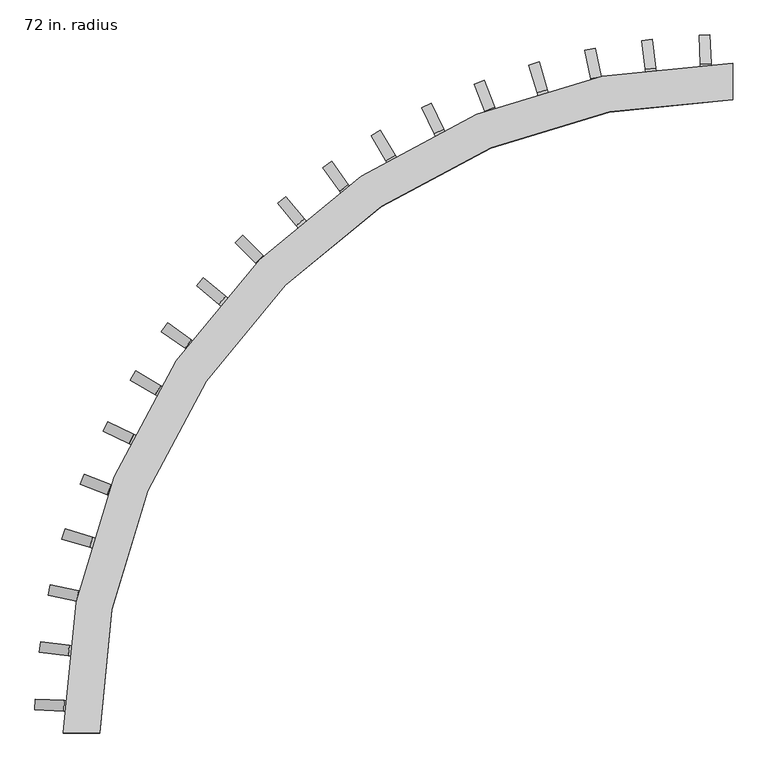
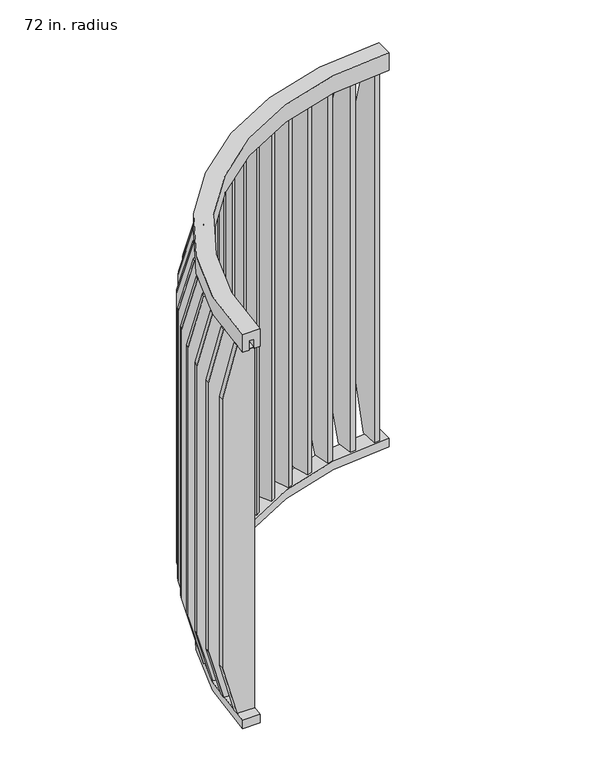
"""IFC4 building model written with IfcOpenShell, lengths in millimetres: furniture geometry, 72 in. radius."""

import ifcopenshell
import ifcopenshell.guid

model = None  # the IFC model being written
_history = None  # IfcOwnerHistory: only IFC2X3 demands one
_inside = {}  # id of a spatial element -> (the spatial element, [elements in it])
_under = {}  # id of a project, library or spatial element -> (it, [spatial elements below it])
_declared = {}  # id of a project -> (the project, [libraries it declares])
_typed = {}  # id of a type object -> (the type object, [elements of that type])
_made_of = {}  # id of a material, layer set ... -> (it, [elements and type objects made of it])


def new_model(schema):
    """Start an empty IFC model of exactly this schema.

    Asked for "IFC4X3", IfcOpenShell would pick the latest addendum, in which some entities
    have other attributes; the version numbers below select the first issue.
    IFC2X3 requires an IfcOwnerHistory on every rooted entity: one is made here for all.
    """
    global model, _history
    if schema == "IFC4X3":
        model = ifcopenshell.file(schema_version=(4, 3, 0, 0))
    else:
        model = ifcopenshell.file(schema=schema)
    _inside.clear()
    _under.clear()
    _declared.clear()
    _typed.clear()
    _made_of.clear()
    _history = None
    if model.schema == "IFC2X3":
        org = make("IfcOrganization", Name="unknown")
        user = make(
            "IfcPersonAndOrganization",
            ThePerson=make("IfcPerson", FamilyName="unknown"),
            TheOrganization=org,
        )
        app = make(
            "IfcApplication",
            ApplicationDeveloper=org,
            Version="unknown",
            ApplicationFullName="unknown",
            ApplicationIdentifier="unknown",
        )
        _history = make(
            "IfcOwnerHistory",
            OwningUser=user,
            OwningApplication=app,
            ChangeAction="ADDED",
            CreationDate=0,
        )
    return model


def make(cls, **values):
    """One entity of the class cls with the attributes given. An attribute that is None is left unset."""
    return model.create_entity(
        cls, **{name: value for name, value in values.items() if value is not None}
    )


def rooted(cls, **values):
    """An entity with a GlobalId (a new one), such as an element, a storey or a relation."""
    return make(cls, GlobalId=ifcopenshell.guid.new(), OwnerHistory=_history, **values)


def si_unit(unit_type, name, prefix=None):
    """IfcSIUnit, for example si_unit("LENGTHUNIT", "METRE", prefix="MILLI")."""
    return make("IfcSIUnit", UnitType=unit_type, Prefix=prefix, Name=name)


def assignment(units):
    """IfcUnitAssignment: the units of a project."""
    return None if units is None else make("IfcUnitAssignment", Units=units)


def point(xyz):
    """IfcCartesianPoint."""
    return None if xyz is None else make("IfcCartesianPoint", Coordinates=xyz)


def direction(xyz):
    """IfcDirection."""
    return None if xyz is None else make("IfcDirection", DirectionRatios=xyz)


def frame(location, z_axis=None, x_axis=None):
    """IfcAxis2Placement3D, a coordinate frame: its origin and axes. An axis left out is left unset."""
    return make(
        "IfcAxis2Placement3D",
        Location=point(location),
        Axis=direction(z_axis),
        RefDirection=direction(x_axis),
    )


def frame_2d(location, x_axis=None):
    """IfcAxis2Placement2D, a coordinate frame in the plane: its origin and x axis."""
    return make(
        "IfcAxis2Placement2D", Location=point(location), RefDirection=direction(x_axis)
    )


def origin():
    """The frame at (0, 0, 0) with its axes left unset."""
    return frame((0.0, 0.0, 0.0))


def place(relative_to, where):
    """IfcLocalPlacement: puts the frame where relative to a parent placement (None: the world)."""
    return make(
        "IfcLocalPlacement", PlacementRelTo=relative_to, RelativePlacement=where
    )


def context(
    kind, dimensions, precision=None, world=None, true_north=None, identifier=None
):
    """IfcGeometricRepresentationContext, for example the 3D "Model" context."""
    return make(
        "IfcGeometricRepresentationContext",
        ContextIdentifier=identifier,
        ContextType=kind,
        CoordinateSpaceDimension=dimensions,
        Precision=precision,
        WorldCoordinateSystem=world,
        TrueNorth=true_north,
    )


def project(units=None, contexts=None):
    """IfcProject with its units and contexts."""
    return rooted(
        "IfcProject",
        Name="project",
        RepresentationContexts=contexts,
        UnitsInContext=assignment(units),
    )


def spatial(cls, under=None, at=None, **own):
    """A site, building, storey or space (cls), placed at a placement, below another one or the project."""
    s = rooted(cls, ObjectPlacement=at, **own)
    if under is not None:
        _under.setdefault(under.id(), (under, []))[1].append(s)
    return s


def polyline(points):
    """IfcPolyline through the points."""
    return make("IfcPolyline", Points=[point(p) for p in points])


def circle_curve(where, radius):
    """IfcCircle in the frame where."""
    return make("IfcCircle", Position=where, Radius=radius)


def trimmed(basis, trim1, trim2, sense, master):
    """IfcTrimmedCurve: the piece of a basis curve between two trims."""
    return make(
        "IfcTrimmedCurve",
        BasisCurve=basis,
        Trim1=trim1,
        Trim2=trim2,
        SenseAgreement=sense,
        MasterRepresentation=master,
    )


def segment(curve, same_sense, transition):
    """IfcCompositeCurveSegment."""
    return make(
        "IfcCompositeCurveSegment",
        Transition=transition,
        SameSense=same_sense,
        ParentCurve=curve,
    )


def composite_curve(segments, self_intersect=None):
    """IfcCompositeCurve: segments joined end to end."""
    return make("IfcCompositeCurve", Segments=segments, SelfIntersect=self_intersect)


def outline(outer, holes=None, kind="AREA"):
    """IfcArbitraryClosedProfileDef: a profile drawn as a closed curve; with holes, ...WithVoids."""
    if holes is None:
        return make("IfcArbitraryClosedProfileDef", ProfileType=kind, OuterCurve=outer)
    return make(
        "IfcArbitraryProfileDefWithVoids",
        ProfileType=kind,
        OuterCurve=outer,
        InnerCurves=holes,
    )


def extrude(swept, where, along, depth):
    """IfcExtrudedAreaSolid: the profile swept, set in the frame where, extruded along a direction by depth."""
    return make(
        "IfcExtrudedAreaSolid",
        SweptArea=swept,
        Position=where,
        ExtrudedDirection=direction(along),
        Depth=depth,
    )


def shape(context_of_items, identifier, shape_type, items):
    """IfcShapeRepresentation: the items that make up one representation, for example the "Body"."""
    return make(
        "IfcShapeRepresentation",
        ContextOfItems=context_of_items,
        RepresentationIdentifier=identifier,
        RepresentationType=shape_type,
        Items=items,
    )


def source(mapping_origin, context_of_items, identifier, shape_type, items):
    """IfcRepresentationMap: a shape defined once, which mapped items show again and again."""
    return make(
        "IfcRepresentationMap",
        MappingOrigin=mapping_origin,
        MappedRepresentation=shape(context_of_items, identifier, shape_type, items),
    )


def transform(
    local_origin,
    x_axis=None,
    y_axis=None,
    z_axis=None,
    scale=None,
    scale2=None,
    scale3=None,
    uniform=True,
):
    """IfcCartesianTransformationOperator3D, or its non-uniform kind. x_axis, y_axis, z_axis: its Axis1, 2, 3."""
    if uniform:
        return make(
            "IfcCartesianTransformationOperator3D",
            Axis1=direction(x_axis),
            Axis2=direction(y_axis),
            LocalOrigin=point(local_origin),
            Scale=scale,
            Axis3=direction(z_axis),
        )
    return make(
        "IfcCartesianTransformationOperator3DnonUniform",
        Axis1=direction(x_axis),
        Axis2=direction(y_axis),
        LocalOrigin=point(local_origin),
        Scale=scale,
        Axis3=direction(z_axis),
        Scale2=scale2,
        Scale3=scale3,
    )


def mapped(mapping_source, mapping_target):
    """IfcMappedItem: shows the shape of a source again, moved by a transform."""
    return make(
        "IfcMappedItem", MappingSource=mapping_source, MappingTarget=mapping_target
    )


def made_of(thing, what):
    """Note that an element or type object is made of a material, layer set ...; save() writes the relation."""
    if what is not None:
        _made_of.setdefault(what.id(), (what, []))[1].append(thing)
    return thing


def element(
    cls,
    number,
    at=None,
    inside=None,
    cuts=None,
    type_object=None,
    material=None,
    context=None,
    identifier="Body",
    shape_type=None,
    held_by="IfcProductDefinitionShape",
    body=None,
    shapes=None,
    **own,
):
    """One element of the class cls, such as IfcWall. Its Tag is "e" and its number.

    at: its placement. inside: the storey or other place that contains it. cuts: it is an
    opening in that element (IfcRelVoidsElement). A single representation is given by context,
    identifier, shape_type and body (its items); several are given by shapes. held_by: the class
    of the entity that holds the representations. save() writes the other relations.
    """
    e = rooted(cls, Tag="e%d" % number, ObjectPlacement=at, **own)
    if body is not None:
        shapes = [shape(context, identifier, shape_type, body)]
    if shapes is not None:
        e.Representation = make(held_by, Representations=shapes)
    if inside is not None:
        _inside.setdefault(inside.id(), (inside, []))[1].append(e)
    if cuts is not None:
        rooted(
            "IfcRelVoidsElement", RelatingBuildingElement=cuts, RelatedOpeningElement=e
        )
    if type_object is not None:
        _typed.setdefault(type_object.id(), (type_object, []))[1].append(e)
    return made_of(e, material)


def aggregate(whole, parts):
    """IfcRelAggregates: a whole, such as a stair, and the parts it consists of."""
    return rooted("IfcRelAggregates", RelatingObject=whole, RelatedObjects=parts)


def save(model, path):
    """Write the relations noted so far, then the file.

    IfcRelAggregates (storeys below a building ...), IfcRelContainedInSpatialStructure (elements
    in a storey), IfcRelDefinesByType, IfcRelAssociatesMaterial and IfcRelDeclares: one each for
    every whole, place, type object, material and project.
    """
    for whole, parts in _under.values():
        aggregate(whole, parts)
    for where, things in _inside.values():
        rooted(
            "IfcRelContainedInSpatialStructure",
            RelatedElements=things,
            RelatingStructure=where,
        )
    for kind, things in _typed.values():
        rooted("IfcRelDefinesByType", RelatedObjects=things, RelatingType=kind)
    for what, things in _made_of.values():
        rooted("IfcRelAssociatesMaterial", RelatedObjects=things, RelatingMaterial=what)
    for by, libraries in _declared.values():
        rooted("IfcRelDeclares", RelatingContext=by, RelatedDefinitions=libraries)
    model.write(path)


def plane_surface(at):
    """IfcPlane: the flat surface through the origin of the frame at, square to its z axis."""
    return make("IfcPlane", Position=at)


def cylinder_surface(at, radius):
    """IfcCylindricalSurface: all points at the distance radius from the z axis of the frame at."""
    return make("IfcCylindricalSurface", Position=at, Radius=radius)


def revolved_surface(curve, axis_point, axis_direction):
    """IfcSurfaceOfRevolution: the curve turned about the line through axis_point along axis_direction."""
    return make(
        "IfcSurfaceOfRevolution",
        SweptCurve=make("IfcArbitraryOpenProfileDef", ProfileType="CURVE", Curve=curve),
        AxisPosition=make("IfcAxis1Placement", Location=point(axis_point), Axis=direction(axis_direction)),
    )


def advanced_brep(points, edges, surfaces, faces):
    """IfcAdvancedBrep: a solid bounded by faces that lie on surfaces and meet in shared edges.

    An edge is (start, end): straight between two places in points (the first is 0);
    or (start, end, curve); or (start, end, curve, False) where it runs against its curve.
    A face is (place in surfaces, loops), or (place, loops, False) where it looks against
    its surface's normal. A loop lists edges by number (the first is 1), with a minus sign
    where the edge is run from its end to its start. The first loop is the outer one.
    """
    corners = [point(p) for p in points]
    vertices = [make("IfcVertexPoint", VertexGeometry=c) for c in corners]
    made = []
    for start, end, *more in edges:
        made.append(
            make(
                "IfcEdgeCurve",
                EdgeStart=vertices[start],
                EdgeEnd=vertices[end],
                EdgeGeometry=more[0] if more else make("IfcPolyline", Points=[corners[start], corners[end]]),
                SameSense=more[1] if len(more) > 1 else True,
            )
        )
    hull = []
    for where, loops, *sense in faces:
        bounds = []
        for j, loop in enumerate(loops):
            ring = [make("IfcOrientedEdge", EdgeElement=made[abs(k) - 1], Orientation=k > 0) for k in loop]
            bounds.append(
                make(
                    "IfcFaceOuterBound" if j == 0 else "IfcFaceBound",
                    Bound=make("IfcEdgeLoop", EdgeList=ring),
                    Orientation=True,
                )
            )
        hull.append(make("IfcAdvancedFace", Bounds=bounds, FaceSurface=surfaces[where], SameSense=sense[0] if sense else True))
    return make("IfcAdvancedBrep", Outer=make("IfcClosedShell", CfsFaces=hull))


def furniture_72_in_radius_a65c5862(model_context):
    return source(origin(), model_context, "Body", "SolidModel", [
        advanced_brep(
        [(38.1, 1880.0004562, 2438.4), (38.1, 1778.4004562, 2438.4), (38.1, 1778.4004562, 2331.8390625), (38.1, 1813.9821615, 2331.8390625), (38.1, 1813.9821615, 2388.7001663), (38.1, 1844.418751, 2388.7001663), (38.1, 1844.418751, 2331.8390625), (38.1, 1880.0004562, 2331.8390625), (-1841.9004562, 0.0, 2438.4), (-1841.9004562, 0.0, 2331.8390625), (-1806.318751, 0.0, 2331.8390625), (-1806.318751, 0.0, 2388.7001663), (-1775.8821615, 0.0, 2388.7001663), (-1775.8821615, 0.0, 2331.8390625), (-1740.3004562, 0.0, 2331.8390625), (-1740.3004562, 0.0, 2438.4)],
        [
            (0, 1),
            (1, 2),
            (2, 3),
            (3, 4),
            (4, 5),
            (5, 6),
            (6, 7),
            (7, 0),
            (8, 9),
            (9, 10),
            (10, 11),
            (11, 12),
            (12, 13),
            (13, 14),
            (14, 15),
            (15, 8),
            (15, 1, circle_curve(frame((38.1, 0.0, 2438.4), z_axis=(0.0, 0.0, -1.0), x_axis=(0.0, 1.0, 0.0)), 1778.4004562)),
            (0, 8, circle_curve(frame((38.1, 0.0, 2438.4), z_axis=(0.0, 0.0, 1.0), x_axis=(0.0, 1.0, 0.0)), 1880.0004562)),
            (14, 2, circle_curve(frame((38.1, 0.0, 2331.8390625), z_axis=(0.0, 0.0, -1.0), x_axis=(0.0, 1.0, 0.0)), 1778.4004562)),
            (7, 9, circle_curve(frame((38.1, 0.0, 2331.8390625), z_axis=(0.0, 0.0, 1.0), x_axis=(0.0, 1.0, 0.0)), 1880.0004562)),
            (13, 3, circle_curve(frame((38.1, 0.0, 2331.8390625), z_axis=(0.0, 0.0, -1.0), x_axis=(0.0, 1.0, 0.0)), 1813.9821615)),
            (12, 4, circle_curve(frame((38.1, 0.0, 2388.7001663), z_axis=(0.0, 0.0, -1.0), x_axis=(0.0, 1.0, 0.0)), 1813.9821615)),
            (11, 5, circle_curve(frame((38.1, 0.0, 2388.7001663), z_axis=(0.0, 0.0, -1.0), x_axis=(0.0, 1.0, 0.0)), 1844.418751)),
            (10, 6, circle_curve(frame((38.1, 0.0, 2331.8390625), z_axis=(0.0, 0.0, -1.0), x_axis=(0.0, 1.0, 0.0)), 1844.418751)),
        ],
        [
            plane_surface(frame((38.1, 0.0, 2451.1), z_axis=(1.0, 0.0, 0.0), x_axis=(0.0, 1.0, 0.0))),
            plane_surface(frame((38.1, 0.0, 2451.1), z_axis=(0.0, -1.0, 0.0), x_axis=(-1.0, 0.0, 0.0))),
            plane_surface(frame((38.1, 0.0, 2438.4), z_axis=(0.0, 0.0, 1.0), x_axis=(0.0, 1.0, 0.0))),
            revolved_surface(polyline([(38.1, 1778.4004562, 2438.4), (38.1, 1778.4004562, 2331.8390625)]), (38.1, 0.0, 2451.1), (0.0, 0.0, 1.0)),
            cylinder_surface(frame((38.1, 0.0, 2451.1), z_axis=(0.0, 0.0, 1.0), x_axis=(0.0, 1.0, 0.0)), 1880.0004562),
            plane_surface(frame((38.1, 0.0, 2331.8390625), z_axis=(0.0, 0.0, -1.0), x_axis=(0.0, 1.0, 0.0))),
            cylinder_surface(frame((38.1, 0.0, 2451.1), z_axis=(0.0, 0.0, 1.0), x_axis=(0.0, 1.0, 0.0)), 1813.9821615),
            plane_surface(frame((38.1, 0.0, 2388.7001663), z_axis=(0.0, 0.0, -1.0), x_axis=(0.0, 1.0, 0.0))),
            revolved_surface(polyline([(38.1, 1844.418751, 2388.7001663), (38.1, 1844.418751, 2331.8390625)]), (38.1, 0.0, 2451.1), (0.0, 0.0, 1.0)),
        ],
        [
            (0, [[1, 2, 3, 4, 5, 6, 7, 8]]),
            (1, [[9, 10, 11, 12, 13, 14, 15, 16]]),
            (2, [[17, -1, 18, -16]]),
            (3, [[19, -2, -17, -15]]),
            (4, [[-18, -8, 20, -9]]),
            (5, [[21, -3, -19, -14]]),
            (6, [[22, -4, -21, -13]]),
            (7, [[23, -5, -22, -12]]),
            (8, [[24, -6, -23, -11]]),
            (5, [[-20, -7, -24, -10]]),
        ],
    ),
        extrude(outline(polyline([(-307.8500561, -132.3000004), (-1965.4500045, -132.3000004), (-2268.3390625, -50.7894893), (-2268.3390625, 50.8000016), (-4.9609375, 50.8000016), (-4.9609375, -50.7895064), (-307.8500561, -132.3000004)])), frame((-1778.7132079, 210.3817693, 2336.8), z_axis=(0.12317039926613539, 0.9923855363439256, 0.0), x_axis=(0.0, 0.0, 1.0)), (0.0, 0.0, 1.0), 29.9999997),
        extrude(outline(composite_curve([segment(trimmed(circle_curve(frame_2d((-1776.8656519, 225.2675523)), 6.0), [point((-1776.1266295, 231.2218655))], [point((-1777.6046743, 219.313239))], False, "CARTESIAN"), True, "CONTINUOUS"), segment(trimmed(circle_curve(frame_2d((-1776.8656519, 225.2675523)), 6.0), [point((-1777.6046743, 219.313239))], [point((-1776.1266295, 231.2218655))], False, "CARTESIAN"), True, "CONTINUOUS")], self_intersect=False)), frame((0.0, 0.0, 2331.8390625), z_axis=(0.0, 0.0, 1.0), x_axis=(1.0, 0.0, 0.0)), (0.0, 0.0, 1.0), 4.9609375),
        extrude(outline(composite_curve([segment(trimmed(circle_curve(frame_2d((-1776.8656519, 225.2675523)), 6.0), [point((-1776.1266295, 231.2218655))], [point((-1777.6046743, 219.313239))], False, "CARTESIAN"), True, "CONTINUOUS"), segment(trimmed(circle_curve(frame_2d((-1776.8656519, 225.2675523)), 6.0), [point((-1777.6046743, 219.313239))], [point((-1776.1266295, 231.2218655))], False, "CARTESIAN"), True, "CONTINUOUS")], self_intersect=False)), frame((0.0, 0.0, 63.5), z_axis=(0.0, 0.0, 1.0), x_axis=(1.0, 0.0, 0.0)), (0.0, 0.0, 1.0), 4.9609375),
        extrude(outline(polyline([(-307.8500561, -132.3000004), (-1965.4500045, -132.3000004), (-2268.3390625, -50.7894893), (-2268.3390625, 50.8000015), (-4.9609375, 50.8000015), (-4.9609375, -50.7895063), (-307.8500561, -132.3000004)])), frame((-1755.109305, 359.8205904, 2336.8), z_axis=(0.2047731878599013, 0.9788094510851914, 0.0), x_axis=(0.0, 0.0, 1.0)), (0.0, 0.0, 1.0), 29.9999997),
        extrude(outline(composite_curve([segment(trimmed(circle_curve(frame_2d((-1752.0377071, 374.502732)), 6.0), [point((-1750.809068, 380.3755887))], [point((-1753.2663463, 368.6298753))], False, "CARTESIAN"), True, "CONTINUOUS"), segment(trimmed(circle_curve(frame_2d((-1752.0377071, 374.502732)), 6.0), [point((-1753.2663463, 368.6298753))], [point((-1750.809068, 380.3755887))], False, "CARTESIAN"), True, "CONTINUOUS")], self_intersect=False)), frame((0.0, 0.0, 2331.8390625), z_axis=(0.0, 0.0, 1.0), x_axis=(1.0, 0.0, 0.0)), (0.0, 0.0, 1.0), 4.9609375),
        extrude(outline(composite_curve([segment(trimmed(circle_curve(frame_2d((-1752.0377071, 374.502732)), 6.0), [point((-1750.809068, 380.3755887))], [point((-1753.2663463, 368.6298753))], False, "CARTESIAN"), True, "CONTINUOUS"), segment(trimmed(circle_curve(frame_2d((-1752.0377071, 374.502732)), 6.0), [point((-1753.2663463, 368.6298753))], [point((-1750.809068, 380.3755887))], False, "CARTESIAN"), True, "CONTINUOUS")], self_intersect=False)), frame((0.0, 0.0, 63.5), z_axis=(0.0, 0.0, 1.0), x_axis=(1.0, 0.0, 0.0)), (0.0, 0.0, 1.0), 4.9609375),
        extrude(outline(polyline([(-307.8500561, -132.3000005), (-1965.4500045, -132.3000005), (-2268.3390625, -50.7894893), (-2268.3390625, 50.8000015), (-4.9609375, 50.8000015), (-4.9609375, -50.7895063), (-307.8500561, -132.3000005)])), frame((-1719.2345103, 506.7971347, 2336.8), z_axis=(0.28497464693746816, 0.9585350544465577, 0.0), x_axis=(0.0, 0.0, 1.0)), (0.0, 0.0, 1.0), 29.9999997),
        extrude(outline(composite_curve([segment(trimmed(circle_curve(frame_2d((-1714.9598906, 521.1751604)), 6.0), [point((-1713.2500427, 526.9263707))], [point((-1716.6697385, 515.4239501))], False, "CARTESIAN"), True, "CONTINUOUS"), segment(trimmed(circle_curve(frame_2d((-1714.9598906, 521.1751604)), 6.0), [point((-1716.6697385, 515.4239501))], [point((-1713.2500427, 526.9263707))], False, "CARTESIAN"), True, "CONTINUOUS")], self_intersect=False)), frame((0.0, 0.0, 2331.8390625), z_axis=(0.0, 0.0, 1.0), x_axis=(1.0, 0.0, 0.0)), (0.0, 0.0, 1.0), 4.9609375),
        extrude(outline(composite_curve([segment(trimmed(circle_curve(frame_2d((-1714.9598906, 521.1751604)), 6.0), [point((-1713.2500427, 526.9263707))], [point((-1716.6697385, 515.4239501))], False, "CARTESIAN"), True, "CONTINUOUS"), segment(trimmed(circle_curve(frame_2d((-1714.9598906, 521.1751604)), 6.0), [point((-1716.6697385, 515.4239501))], [point((-1713.2500427, 526.9263707))], False, "CARTESIAN"), True, "CONTINUOUS")], self_intersect=False)), frame((0.0, 0.0, 63.5), z_axis=(0.0, 0.0, 1.0), x_axis=(1.0, 0.0, 0.0)), (0.0, 0.0, 1.0), 4.9609375),
        extrude(outline(polyline([(-307.8500561, -132.3000005), (-1965.4500045, -132.3000005), (-2268.3390625, -50.7894893), (-2268.3390625, 50.8000015), (-4.9609375, 50.8000015), (-4.9609375, -50.7895063), (-307.8500561, -132.3000005)])), frame((-1671.3343267, 650.3055939, 2336.8), z_axis=(0.3632259318330759, 0.9317010907174005, 0.0), x_axis=(0.0, 0.0, 1.0)), (0.0, 0.0, 1.0), 29.9999997),
        extrude(outline(composite_curve([segment(trimmed(circle_curve(frame_2d((-1665.8859377, 664.2811102)), 6.0), [point((-1663.7065821, 669.8713167))], [point((-1668.0652933, 658.6909037))], False, "CARTESIAN"), True, "CONTINUOUS"), segment(trimmed(circle_curve(frame_2d((-1665.8859377, 664.2811102)), 6.0), [point((-1668.0652933, 658.6909037))], [point((-1663.7065821, 669.8713167))], False, "CARTESIAN"), True, "CONTINUOUS")], self_intersect=False)), frame((0.0, 0.0, 2331.8390625), z_axis=(0.0, 0.0, 1.0), x_axis=(1.0, 0.0, 0.0)), (0.0, 0.0, 1.0), 4.9609375),
        extrude(outline(composite_curve([segment(trimmed(circle_curve(frame_2d((-1665.8859377, 664.2811102)), 6.0), [point((-1663.7065821, 669.8713167))], [point((-1668.0652933, 658.6909037))], False, "CARTESIAN"), True, "CONTINUOUS"), segment(trimmed(circle_curve(frame_2d((-1665.8859377, 664.2811102)), 6.0), [point((-1668.0652933, 658.6909037))], [point((-1663.7065821, 669.8713167))], False, "CARTESIAN"), True, "CONTINUOUS")], self_intersect=False)), frame((0.0, 0.0, 63.5), z_axis=(0.0, 0.0, 1.0), x_axis=(1.0, 0.0, 0.0)), (0.0, 0.0, 1.0), 4.9609375),
        extrude(outline(polyline([(-307.8500561, -132.3000004), (-1965.4500045, -132.3000004), (-2268.3390625, -50.7894892), (-2268.3390625, 50.8000016), (-4.9609375, 50.8000016), (-4.9609375, -50.7895063), (-307.8500561, -132.3000004)])), frame((-1611.7365508, 789.3638931, 2336.8), z_axis=(0.4389915435570827, 0.8984911934378489, 0.0), x_axis=(0.0, 0.0, 1.0)), (0.0, 0.0, 1.0), 29.9999997),
        extrude(outline(composite_curve([segment(trimmed(circle_curve(frame_2d((-1605.1516776, 802.8412609)), 6.0), [point((-1602.5177283, 808.2322081))], [point((-1607.7856269, 797.4503138))], False, "CARTESIAN"), True, "CONTINUOUS"), segment(trimmed(circle_curve(frame_2d((-1605.1516776, 802.8412609)), 6.0), [point((-1607.7856269, 797.4503138))], [point((-1602.5177283, 808.2322081))], False, "CARTESIAN"), True, "CONTINUOUS")], self_intersect=False)), frame((0.0, 0.0, 2331.8390625), z_axis=(0.0, 0.0, 1.0), x_axis=(1.0, 0.0, 0.0)), (0.0, 0.0, 1.0), 4.9609375),
        extrude(outline(composite_curve([segment(trimmed(circle_curve(frame_2d((-1605.1516776, 802.8412609)), 6.0), [point((-1602.5177283, 808.2322081))], [point((-1607.7856269, 797.4503138))], False, "CARTESIAN"), True, "CONTINUOUS"), segment(trimmed(circle_curve(frame_2d((-1605.1516776, 802.8412609)), 6.0), [point((-1607.7856269, 797.4503138))], [point((-1602.5177283, 808.2322081))], False, "CARTESIAN"), True, "CONTINUOUS")], self_intersect=False)), frame((0.0, 0.0, 63.5), z_axis=(0.0, 0.0, 1.0), x_axis=(1.0, 0.0, 0.0)), (0.0, 0.0, 1.0), 4.9609375),
        extrude(outline(polyline([(-307.8500561, -132.3000005), (-1965.4500045, -132.3000005), (-2268.3390625, -50.7894893), (-2268.3390625, 50.8000015), (-4.9609375, 50.8000015), (-4.9609375, -50.7895063), (-307.8500561, -132.3000005)])), frame((-1540.8490294, 923.020411, 2336.8), z_axis=(0.5117529933896934, 0.8591326287347539, 0.0), x_axis=(0.0, 0.0, 1.0)), (0.0, 0.0, 1.0), 29.9999997),
        extrude(outline(composite_curve([segment(trimmed(circle_curve(frame_2d((-1533.1727345, 935.9074004)), 6.0), [point((-1530.1022165, 941.0621961))], [point((-1536.2432524, 930.7526046))], False, "CARTESIAN"), True, "CONTINUOUS"), segment(trimmed(circle_curve(frame_2d((-1533.1727345, 935.9074004)), 6.0), [point((-1536.2432524, 930.7526046))], [point((-1530.1022165, 941.0621961))], False, "CARTESIAN"), True, "CONTINUOUS")], self_intersect=False)), frame((0.0, 0.0, 2331.8390625), z_axis=(0.0, 0.0, 1.0), x_axis=(1.0, 0.0, 0.0)), (0.0, 0.0, 1.0), 4.9609375),
        extrude(outline(composite_curve([segment(trimmed(circle_curve(frame_2d((-1533.1727345, 935.9074004)), 6.0), [point((-1530.1022165, 941.0621961))], [point((-1536.2432524, 930.7526046))], False, "CARTESIAN"), True, "CONTINUOUS"), segment(trimmed(circle_curve(frame_2d((-1533.1727345, 935.9074004)), 6.0), [point((-1536.2432524, 930.7526046))], [point((-1530.1022165, 941.0621961))], False, "CARTESIAN"), True, "CONTINUOUS")], self_intersect=False)), frame((0.0, 0.0, 63.5), z_axis=(0.0, 0.0, 1.0), x_axis=(1.0, 0.0, 0.0)), (0.0, 0.0, 1.0), 4.9609375),
        extrude(outline(polyline([(-307.8500561, -132.3000004), (-1965.4500045, -132.3000004), (-2268.3390625, -50.7894892), (-2268.3390625, 50.8000016), (-4.9609375, 50.8000016), (-4.9609375, -50.7895063), (-307.8500561, -132.3000004)])), frame((-1459.156869, 1050.3604927, 2336.8), z_axis=(0.5810123510678821, 0.8138947400656747, 0.0), x_axis=(0.0, 0.0, 1.0)), (0.0, 0.0, 1.0), 29.9999997),
        extrude(outline(composite_curve([segment(trimmed(circle_curve(frame_2d((-1450.4416837, 1062.5689137)), 6.0), [point((-1446.9556096, 1067.4522821))], [point((-1453.9277578, 1057.6855452))], False, "CARTESIAN"), True, "CONTINUOUS"), segment(trimmed(circle_curve(frame_2d((-1450.4416837, 1062.5689137)), 6.0), [point((-1453.9277578, 1057.6855452))], [point((-1446.9556096, 1067.4522821))], False, "CARTESIAN"), True, "CONTINUOUS")], self_intersect=False)), frame((0.0, 0.0, 2331.8390625), z_axis=(0.0, 0.0, 1.0), x_axis=(1.0, 0.0, 0.0)), (0.0, 0.0, 1.0), 4.9609375),
        extrude(outline(composite_curve([segment(trimmed(circle_curve(frame_2d((-1450.4416837, 1062.5689137)), 6.0), [point((-1446.9556096, 1067.4522821))], [point((-1453.9277578, 1057.6855452))], False, "CARTESIAN"), True, "CONTINUOUS"), segment(trimmed(circle_curve(frame_2d((-1450.4416837, 1062.5689137)), 6.0), [point((-1453.9277578, 1057.6855452))], [point((-1446.9556096, 1067.4522821))], False, "CARTESIAN"), True, "CONTINUOUS")], self_intersect=False)), frame((0.0, 0.0, 63.5), z_axis=(0.0, 0.0, 1.0), x_axis=(1.0, 0.0, 0.0)), (0.0, 0.0, 1.0), 4.9609375),
        extrude(outline(polyline([(-307.8500561, -132.3000004), (-1965.4500045, -132.3000004), (-2268.3390625, -50.7894892), (-2268.3390625, 50.8000016), (-4.9609375, 50.8000016), (-4.9609375, -50.7895063), (-307.8500561, -132.3000004)])), frame((-1367.2191155, 1170.5127085, 2336.8), z_axis=(0.6462956522841055, 0.7630871050140099, 0.0), x_axis=(0.0, 0.0, 1.0)), (0.0, 0.0, 1.0), 29.9999997),
        extrude(outline(composite_curve([segment(trimmed(circle_curve(frame_2d((-1357.5246807, 1181.959015)), 6.0), [point((-1353.6469068, 1186.5375376))], [point((-1361.4024546, 1177.3804923))], False, "CARTESIAN"), True, "CONTINUOUS"), segment(trimmed(circle_curve(frame_2d((-1357.5246807, 1181.959015)), 6.0), [point((-1361.4024546, 1177.3804923))], [point((-1353.6469068, 1186.5375376))], False, "CARTESIAN"), True, "CONTINUOUS")], self_intersect=False)), frame((0.0, 0.0, 2331.8390625), z_axis=(0.0, 0.0, 1.0), x_axis=(1.0, 0.0, 0.0)), (0.0, 0.0, 1.0), 4.9609375),
        extrude(outline(composite_curve([segment(trimmed(circle_curve(frame_2d((-1357.5246807, 1181.959015)), 6.0), [point((-1353.6469068, 1186.5375376))], [point((-1361.4024546, 1177.3804923))], False, "CARTESIAN"), True, "CONTINUOUS"), segment(trimmed(circle_curve(frame_2d((-1357.5246807, 1181.959015)), 6.0), [point((-1361.4024546, 1177.3804923))], [point((-1353.6469068, 1186.5375376))], False, "CARTESIAN"), True, "CONTINUOUS")], self_intersect=False)), frame((0.0, 0.0, 63.5), z_axis=(0.0, 0.0, 1.0), x_axis=(1.0, 0.0, 0.0)), (0.0, 0.0, 1.0), 4.9609375),
        extrude(outline(polyline([(-307.8500561, -132.3000005), (-1965.4500045, -132.3000005), (-2268.3390625, -50.7894893), (-2268.3390625, 50.8000015), (-4.9609375, 50.8000015), (-4.9609375, -50.7895064), (-307.8500561, -132.3000005)])), frame((-1265.6649289, 1282.6548177, 2336.8), z_axis=(0.7071561421781917, 0.707057416748921, 0.0), x_axis=(0.0, 0.0, 1.0)), (0.0, 0.0, 1.0), 29.9999997),
        extrude(outline(composite_curve([segment(trimmed(circle_curve(frame_2d((-1255.0575868, 1293.2606789)), 6.0), [point((-1250.81465, 1297.5030234))], [point((-1259.3005237, 1289.0183344))], False, "CARTESIAN"), True, "CONTINUOUS"), segment(trimmed(circle_curve(frame_2d((-1255.0575868, 1293.2606789)), 6.0), [point((-1259.3005237, 1289.0183344))], [point((-1250.81465, 1297.5030234))], False, "CARTESIAN"), True, "CONTINUOUS")], self_intersect=False)), frame((0.0, 0.0, 2331.8390625), z_axis=(0.0, 0.0, 1.0), x_axis=(1.0, 0.0, 0.0)), (0.0, 0.0, 1.0), 4.9609375),
        extrude(outline(composite_curve([segment(trimmed(circle_curve(frame_2d((-1255.0575868, 1293.2606789)), 6.0), [point((-1250.81465, 1297.5030234))], [point((-1259.3005237, 1289.0183344))], False, "CARTESIAN"), True, "CONTINUOUS"), segment(trimmed(circle_curve(frame_2d((-1255.0575868, 1293.2606789)), 6.0), [point((-1259.3005237, 1289.0183344))], [point((-1250.81465, 1297.5030234))], False, "CARTESIAN"), True, "CONTINUOUS")], self_intersect=False)), frame((0.0, 0.0, 63.5), z_axis=(0.0, 0.0, 1.0), x_axis=(1.0, 0.0, 0.0)), (0.0, 0.0, 1.0), 4.9609375),
        extrude(outline(polyline([(-307.8500561, -132.3000005), (-1965.4500045, -132.3000005), (-2268.3390625, -50.7894893), (-2268.3390625, 50.8000016), (-4.9609375, 50.8000016), (-4.9609375, -50.7895063), (-307.8500561, -132.3000005)])), frame((-1155.1892776, 1386.0193955, 2336.8), z_axis=(0.763177332626134, 0.6461891046479036, 0.0), x_axis=(0.0, 0.0, 1.0)), (0.0, 0.0, 1.0), 29.9999997),
        extrude(outline(composite_curve([segment(trimmed(circle_curve(frame_2d((-1143.7416177, 1395.712232)), 6.0), [point((-1139.1625537, 1399.5893666))], [point((-1148.3206817, 1391.8350973))], False, "CARTESIAN"), True, "CONTINUOUS"), segment(trimmed(circle_curve(frame_2d((-1143.7416177, 1395.712232)), 6.0), [point((-1148.3206817, 1391.8350973))], [point((-1139.1625537, 1399.5893666))], False, "CARTESIAN"), True, "CONTINUOUS")], self_intersect=False)), frame((0.0, 0.0, 2331.8390625), z_axis=(0.0, 0.0, 1.0), x_axis=(1.0, 0.0, 0.0)), (0.0, 0.0, 1.0), 4.9609375),
        extrude(outline(composite_curve([segment(trimmed(circle_curve(frame_2d((-1143.7416177, 1395.712232)), 6.0), [point((-1139.1625537, 1399.5893666))], [point((-1148.3206817, 1391.8350973))], False, "CARTESIAN"), True, "CONTINUOUS"), segment(trimmed(circle_curve(frame_2d((-1143.7416177, 1395.712232)), 6.0), [point((-1148.3206817, 1391.8350973))], [point((-1139.1625537, 1399.5893666))], False, "CARTESIAN"), True, "CONTINUOUS")], self_intersect=False)), frame((0.0, 0.0, 63.5), z_axis=(0.0, 0.0, 1.0), x_axis=(1.0, 0.0, 0.0)), (0.0, 0.0, 1.0), 4.9609375),
        extrude(outline(polyline([(-307.8500561, -132.3000004), (-1965.4500045, -132.3000004), (-2268.3390625, -50.7894892), (-2268.3390625, 50.8000016), (-4.9609375, 50.8000016), (-4.9609375, -50.7895063), (-307.8500561, -132.3000004)])), frame((-1036.5481824, 1479.8990844, 2336.8), z_axis=(0.8139758524037629, 0.5808987103648687, 0.0), x_axis=(0.0, 0.0, 1.0)), (0.0, 0.0, 1.0), 29.9999997),
        extrude(outline(composite_curve([segment(trimmed(circle_curve(frame_2d((-1024.3385446, 1488.6125649)), 6.0), [point((-1019.4546895, 1492.0979572))], [point((-1029.2223997, 1485.1271727))], False, "CARTESIAN"), True, "CONTINUOUS"), segment(trimmed(circle_curve(frame_2d((-1024.3385446, 1488.6125649)), 6.0), [point((-1029.2223997, 1485.1271727))], [point((-1019.4546895, 1492.0979572))], False, "CARTESIAN"), True, "CONTINUOUS")], self_intersect=False)), frame((0.0, 0.0, 2331.8390625), z_axis=(0.0, 0.0, 1.0), x_axis=(1.0, 0.0, 0.0)), (0.0, 0.0, 1.0), 4.9609375),
        extrude(outline(composite_curve([segment(trimmed(circle_curve(frame_2d((-1024.3385446, 1488.6125649)), 6.0), [point((-1019.4546895, 1492.0979572))], [point((-1029.2223997, 1485.1271727))], False, "CARTESIAN"), True, "CONTINUOUS"), segment(trimmed(circle_curve(frame_2d((-1024.3385446, 1488.6125649)), 6.0), [point((-1029.2223997, 1485.1271727))], [point((-1019.4546895, 1492.0979572))], False, "CARTESIAN"), True, "CONTINUOUS")], self_intersect=False)), frame((0.0, 0.0, 63.5), z_axis=(0.0, 0.0, 1.0), x_axis=(1.0, 0.0, 0.0)), (0.0, 0.0, 1.0), 4.9609375),
        extrude(outline(polyline([(-307.8500561, -132.3000005), (-1965.4500045, -132.3000005), (-2268.3390625, -50.7894894), (-2268.3390625, 50.8000015), (-4.9609375, 50.8000015), (-4.9609375, -50.7895063), (-307.8500561, -132.3000005)])), frame((-910.5535427, 1563.6514351, 2336.8), z_axis=(0.8592040707206947, 0.5116330373001606, 0.0), x_axis=(0.0, 0.0, 1.0)), (0.0, 0.0, 1.0), 29.9999997),
        extrude(outline(composite_curve([segment(trimmed(circle_curve(frame_2d((-897.6654817, 1571.3259306)), 6.0), [point((-892.5102573, 1574.3957288))], [point((-902.8207061, 1568.2561324))], False, "CARTESIAN"), True, "CONTINUOUS"), segment(trimmed(circle_curve(frame_2d((-897.6654817, 1571.3259306)), 6.0), [point((-902.8207061, 1568.2561324))], [point((-892.5102573, 1574.3957288))], False, "CARTESIAN"), True, "CONTINUOUS")], self_intersect=False)), frame((0.0, 0.0, 2331.8390625), z_axis=(0.0, 0.0, 1.0), x_axis=(1.0, 0.0, 0.0)), (0.0, 0.0, 1.0), 4.9609375),
        extrude(outline(composite_curve([segment(trimmed(circle_curve(frame_2d((-897.6654817, 1571.3259306)), 6.0), [point((-892.5102573, 1574.3957288))], [point((-902.8207061, 1568.2561324))], False, "CARTESIAN"), True, "CONTINUOUS"), segment(trimmed(circle_curve(frame_2d((-897.6654817, 1571.3259306)), 6.0), [point((-902.8207061, 1568.2561324))], [point((-892.5102573, 1574.3957288))], False, "CARTESIAN"), True, "CONTINUOUS")], self_intersect=False)), frame((0.0, 0.0, 63.5), z_axis=(0.0, 0.0, 1.0), x_axis=(1.0, 0.0, 0.0)), (0.0, 0.0, 1.0), 4.9609375),
        extrude(outline(polyline([(-307.8500561, -132.3000004), (-1965.4500045, -132.3000004), (-2268.3390625, -50.7894893), (-2268.3390625, 50.8000016), (-4.9609375, 50.8000016), (-4.9609375, -50.7895063), (-307.8500561, -132.3000004)])), frame((-778.067581, 1636.7033032, 2336.8), z_axis=(0.8985524761709013, 0.43886609297955803, 0.0), x_axis=(0.0, 0.0, 1.0)), (0.0, 0.0, 1.0), 29.9999997),
        extrude(outline(composite_curve([segment(trimmed(circle_curve(frame_2d((-764.5892939, 1643.2862945)), 6.0), [point((-759.1979791, 1645.919491))], [point((-769.9806088, 1640.6530979))], False, "CARTESIAN"), True, "CONTINUOUS"), segment(trimmed(circle_curve(frame_2d((-764.5892939, 1643.2862945)), 6.0), [point((-769.9806088, 1640.6530979))], [point((-759.1979791, 1645.919491))], False, "CARTESIAN"), True, "CONTINUOUS")], self_intersect=False)), frame((0.0, 0.0, 2331.8390625), z_axis=(0.0, 0.0, 1.0), x_axis=(1.0, 0.0, 0.0)), (0.0, 0.0, 1.0), 4.9609375),
        extrude(outline(composite_curve([segment(trimmed(circle_curve(frame_2d((-764.5892939, 1643.2862945)), 6.0), [point((-759.1979791, 1645.919491))], [point((-769.9806088, 1640.6530979))], False, "CARTESIAN"), True, "CONTINUOUS"), segment(trimmed(circle_curve(frame_2d((-764.5892939, 1643.2862945)), 6.0), [point((-769.9806088, 1640.6530979))], [point((-759.1979791, 1645.919491))], False, "CARTESIAN"), True, "CONTINUOUS")], self_intersect=False)), frame((0.0, 0.0, 63.5), z_axis=(0.0, 0.0, 1.0), x_axis=(1.0, 0.0, 0.0)), (0.0, 0.0, 1.0), 4.9609375),
        extrude(outline(polyline([(-307.8500561, -132.3000004), (-1965.4500045, -132.3000004), (-2268.3390625, -50.7894892), (-2268.3390625, 50.8000016), (-4.9609375, 50.8000016), (-4.9609375, -50.7895062), (-307.8500561, -132.3000004)])), frame((-639.9969418, 1698.5547709, 2336.8), z_axis=(0.9317517948198922, 0.3630958452666589, 0.0), x_axis=(0.0, 0.0, 1.0)), (0.0, 0.0, 1.0), 29.9999997),
        extrude(outline(composite_curve([segment(trimmed(circle_curve(frame_2d((-626.0206649, 1704.0012084)), 6.0), [point((-620.4301542, 1706.1797835))], [point((-631.6111757, 1701.8226334))], False, "CARTESIAN"), True, "CONTINUOUS"), segment(trimmed(circle_curve(frame_2d((-626.0206649, 1704.0012084)), 6.0), [point((-631.6111757, 1701.8226334))], [point((-620.4301542, 1706.1797835))], False, "CARTESIAN"), True, "CONTINUOUS")], self_intersect=False)), frame((0.0, 0.0, 2331.8390625), z_axis=(0.0, 0.0, 1.0), x_axis=(1.0, 0.0, 0.0)), (0.0, 0.0, 1.0), 4.9609375),
        extrude(outline(composite_curve([segment(trimmed(circle_curve(frame_2d((-626.0206649, 1704.0012084)), 6.0), [point((-620.4301542, 1706.1797835))], [point((-631.6111757, 1701.8226334))], False, "CARTESIAN"), True, "CONTINUOUS"), segment(trimmed(circle_curve(frame_2d((-626.0206649, 1704.0012084)), 6.0), [point((-631.6111757, 1701.8226334))], [point((-620.4301542, 1706.1797835))], False, "CARTESIAN"), True, "CONTINUOUS")], self_intersect=False)), frame((0.0, 0.0, 63.5), z_axis=(0.0, 0.0, 1.0), x_axis=(1.0, 0.0, 0.0)), (0.0, 0.0, 1.0), 4.9609375),
        extrude(outline(polyline([(-307.8500561, -132.3000004), (-1965.4500045, -132.3000004), (-2268.3390625, -50.7894893), (-2268.3390625, 50.8000015), (-4.9609375, 50.8000015), (-4.9609375, -50.7895063), (-307.8500561, -132.3000004)])), frame((-497.2864873, 1748.7825684, 2336.8), z_axis=(0.9585748329338264, 0.28484081460683763, 0.0), x_axis=(0.0, 0.0, 1.0)), (0.0, 0.0, 1.0), 29.9999997),
        extrude(outline(composite_curve([segment(trimmed(circle_curve(frame_2d((-482.9078649, 1753.0551805)), 6.0), [point((-477.1564159, 1754.7642254))], [point((-488.6593139, 1751.3461357))], False, "CARTESIAN"), True, "CONTINUOUS"), segment(trimmed(circle_curve(frame_2d((-482.9078649, 1753.0551805)), 6.0), [point((-488.6593139, 1751.3461357))], [point((-477.1564159, 1754.7642254))], False, "CARTESIAN"), True, "CONTINUOUS")], self_intersect=False)), frame((0.0, 0.0, 2331.8390625), z_axis=(0.0, 0.0, 1.0), x_axis=(1.0, 0.0, 0.0)), (0.0, 0.0, 1.0), 4.9609375),
        extrude(outline(composite_curve([segment(trimmed(circle_curve(frame_2d((-482.9078649, 1753.0551805)), 6.0), [point((-477.1564159, 1754.7642254))], [point((-488.6593139, 1751.3461357))], False, "CARTESIAN"), True, "CONTINUOUS"), segment(trimmed(circle_curve(frame_2d((-482.9078649, 1753.0551805)), 6.0), [point((-488.6593139, 1751.3461357))], [point((-477.1564159, 1754.7642254))], False, "CARTESIAN"), True, "CONTINUOUS")], self_intersect=False)), frame((0.0, 0.0, 63.5), z_axis=(0.0, 0.0, 1.0), x_axis=(1.0, 0.0, 0.0)), (0.0, 0.0, 1.0), 4.9609375),
        extrude(outline(polyline([(-307.8500561, -132.3000005), (-1965.4500045, -132.3000005), (-2268.3390625, -50.7894893), (-2268.3390625, 50.8000015), (-4.9609375, 50.8000015), (-4.9609375, -50.7895063), (-307.8500561, -132.3000005)])), frame((-350.9128316, 1787.0429707, 2336.8), z_axis=(0.978838031740113, 0.20463652562321727, 0.0), x_axis=(0.0, 0.0, 1.0)), (0.0, 0.0, 1.0), 29.9999997),
        extrude(outline(composite_curve([segment(trimmed(circle_curve(frame_2d((-336.2302612, 1790.1125185)), 6.0), [point((-330.357233, 1791.3403377))], [point((-342.1032894, 1788.8846994))], False, "CARTESIAN"), True, "CONTINUOUS"), segment(trimmed(circle_curve(frame_2d((-336.2302612, 1790.1125185)), 6.0), [point((-342.1032894, 1788.8846994))], [point((-330.357233, 1791.3403377))], False, "CARTESIAN"), True, "CONTINUOUS")], self_intersect=False)), frame((0.0, 0.0, 2331.8390625), z_axis=(0.0, 0.0, 1.0), x_axis=(1.0, 0.0, 0.0)), (0.0, 0.0, 1.0), 4.9609375),
        extrude(outline(composite_curve([segment(trimmed(circle_curve(frame_2d((-336.2302612, 1790.1125185)), 6.0), [point((-330.357233, 1791.3403377))], [point((-342.1032894, 1788.8846994))], False, "CARTESIAN"), True, "CONTINUOUS"), segment(trimmed(circle_curve(frame_2d((-336.2302612, 1790.1125185)), 6.0), [point((-342.1032894, 1788.8846994))], [point((-330.357233, 1791.3403377))], False, "CARTESIAN"), True, "CONTINUOUS")], self_intersect=False)), frame((0.0, 0.0, 63.5), z_axis=(0.0, 0.0, 1.0), x_axis=(1.0, 0.0, 0.0)), (0.0, 0.0, 1.0), 4.9609375),
        extrude(outline(polyline([(-307.8500561, -132.3000005), (-1965.4500045, -132.3000005), (-2268.3390625, -50.7894893), (-2268.3390625, 50.8000016), (-4.9609375, 50.8000016), (-4.9609375, -50.7895063), (-307.8500561, -132.3000005)])), frame((-201.8776572, 1813.0741494, 2336.8), z_axis=(0.9924027235797844, 0.12303184234752451, 0.0), x_axis=(0.0, 0.0, 1.0)), (0.0, 0.0, 1.0), 29.9999997),
        extrude(outline(composite_curve([segment(trimmed(circle_curve(frame_2d((-186.9916164, 1814.919627)), 6.0), [point((-181.0372001, 1815.657818))], [point((-192.9460328, 1814.1814359))], False, "CARTESIAN"), True, "CONTINUOUS"), segment(trimmed(circle_curve(frame_2d((-186.9916164, 1814.919627)), 6.0), [point((-192.9460328, 1814.1814359))], [point((-181.0372001, 1815.657818))], False, "CARTESIAN"), True, "CONTINUOUS")], self_intersect=False)), frame((0.0, 0.0, 2331.8390625), z_axis=(0.0, 0.0, 1.0), x_axis=(1.0, 0.0, 0.0)), (0.0, 0.0, 1.0), 4.9609375),
        extrude(outline(composite_curve([segment(trimmed(circle_curve(frame_2d((-186.9916164, 1814.919627)), 6.0), [point((-181.0372001, 1815.657818))], [point((-192.9460328, 1814.1814359))], False, "CARTESIAN"), True, "CONTINUOUS"), segment(trimmed(circle_curve(frame_2d((-186.9916164, 1814.919627)), 6.0), [point((-192.9460328, 1814.1814359))], [point((-181.0372001, 1815.657818))], False, "CARTESIAN"), True, "CONTINUOUS")], self_intersect=False)), frame((0.0, 0.0, 63.5), z_axis=(0.0, 0.0, 1.0), x_axis=(1.0, 0.0, 0.0)), (0.0, 0.0, 1.0), 4.9609375),
        extrude(outline(polyline([(-307.8500561, -132.3000005), (-1965.4500045, -132.3000005), (-2268.3390625, -50.7894893), (-2268.3390625, 50.8000015), (-4.9609375, 50.8000015), (-4.9609375, -50.7895063), (-307.8500561, -132.3000005)])), frame((-1789.8846898, 59.5033299, 2336.8), z_axis=(0.04072471557551153, 0.9991704046564298, 0.0), x_axis=(0.0, 0.0, 1.0)), (0.0, 0.0, 1.0), 29.9999997),
        extrude(outline(composite_curve([segment(trimmed(circle_curve(frame_2d((-1789.273819, 74.4908859)), 6.0), [point((-1789.0294707, 80.4859084))], [point((-1789.5181673, 68.4958635))], False, "CARTESIAN"), True, "CONTINUOUS"), segment(trimmed(circle_curve(frame_2d((-1789.273819, 74.4908859)), 6.0), [point((-1789.5181673, 68.4958635))], [point((-1789.0294707, 80.4859084))], False, "CARTESIAN"), True, "CONTINUOUS")], self_intersect=False)), frame((0.0, 0.0, 2331.8390625), z_axis=(0.0, 0.0, 1.0), x_axis=(1.0, 0.0, 0.0)), (0.0, 0.0, 1.0), 4.9609375),
        extrude(outline(composite_curve([segment(trimmed(circle_curve(frame_2d((-1789.273819, 74.4908859)), 6.0), [point((-1789.0294707, 80.4859084))], [point((-1789.5181673, 68.4958635))], False, "CARTESIAN"), True, "CONTINUOUS"), segment(trimmed(circle_curve(frame_2d((-1789.273819, 74.4908859)), 6.0), [point((-1789.5181673, 68.4958635))], [point((-1789.0294707, 80.4859084))], False, "CARTESIAN"), True, "CONTINUOUS")], self_intersect=False)), frame((0.0, 0.0, 63.5), z_axis=(0.0, 0.0, 1.0), x_axis=(1.0, 0.0, 0.0)), (0.0, 0.0, 1.0), 4.9609375),
        extrude(outline(polyline([(-307.8500561, -132.3000004), (-1965.4500045, -132.3000004), (-2268.3390625, -50.7894892), (-2268.3390625, 50.8000016), (-4.9609375, 50.8000016), (-4.9609375, -50.7895062), (-307.8500561, -132.3000004)])), frame((-51.2008603, 1826.6979647, 2336.8), z_axis=(0.9991760808553809, 0.04058521216504034, 0.0), x_axis=(0.0, 0.0, 1.0)), (0.0, 0.0, 1.0), 29.9999997),
        extrude(outline(composite_curve([segment(trimmed(circle_curve(frame_2d((-36.2132191, 1827.3067428)), 6.0), [point((-30.2181627, 1827.550254))], [point((-42.2082756, 1827.0632315))], False, "CARTESIAN"), True, "CONTINUOUS"), segment(trimmed(circle_curve(frame_2d((-36.2132191, 1827.3067428)), 6.0), [point((-42.2082756, 1827.0632315))], [point((-30.2181627, 1827.550254))], False, "CARTESIAN"), True, "CONTINUOUS")], self_intersect=False)), frame((0.0, 0.0, 2331.8390625), z_axis=(0.0, 0.0, 1.0), x_axis=(1.0, 0.0, 0.0)), (0.0, 0.0, 1.0), 4.9609375),
        extrude(outline(composite_curve([segment(trimmed(circle_curve(frame_2d((-36.2132191, 1827.3067428)), 6.0), [point((-30.2181627, 1827.550254))], [point((-42.2082756, 1827.0632315))], False, "CARTESIAN"), True, "CONTINUOUS"), segment(trimmed(circle_curve(frame_2d((-36.2132191, 1827.3067428)), 6.0), [point((-42.2082756, 1827.0632315))], [point((-30.2181627, 1827.550254))], False, "CARTESIAN"), True, "CONTINUOUS")], self_intersect=False)), frame((0.0, 0.0, 63.5), z_axis=(0.0, 0.0, 1.0), x_axis=(1.0, 0.0, 0.0)), (0.0, 0.0, 1.0), 4.9609375),
        extrude(outline(composite_curve([segment(trimmed(circle_curve(frame_2d((38.1, 0.0)), 1813.507017), [point((38.1, 1813.5070171))], [point((-1775.4070171, 0.0))], True, "CARTESIAN"), True, "CONTINUOUS"), segment(polyline([(-1775.4070171, 0.0), (-1806.6832164, 0.0)]), True, "CONTINUOUS"), segment(trimmed(circle_curve(frame_2d((38.1, 0.0)), 1844.7832163), [point((-1806.6832164, 0.0))], [point((38.1, 1844.7832164))], False, "CARTESIAN"), True, "CONTINUOUS"), segment(polyline([(38.1, 1844.7832164), (38.1, 1813.5070171)]), True, "CONTINUOUS")], self_intersect=False)), frame((0.0, 0.0, 2336.8), z_axis=(0.0, 0.0, 1.0), x_axis=(1.0, 0.0, 0.0)), (0.0, 0.0, 1.0), 1.7500001),
        extrude(outline(composite_curve([segment(trimmed(circle_curve(frame_2d((38.1, 0.0)), 1778.0151768), [point((38.1, 1778.0151768))], [point((-1739.9151768, 0.0))], True, "CARTESIAN"), True, "CONTINUOUS"), segment(polyline([(-1739.9151768, 0.0), (-1841.9011475, 0.0)]), True, "CONTINUOUS"), segment(trimmed(circle_curve(frame_2d((38.1, 0.0)), 1880.0011475), [point((-1841.9011475, 0.0))], [point((38.1, 1880.0011475))], False, "CARTESIAN"), True, "CONTINUOUS"), segment(polyline([(38.1, 1880.0011475), (38.1, 1778.0151768)]), True, "CONTINUOUS")], self_intersect=False)), frame((0.0, 0.0, 12.7), z_axis=(0.0, 0.0, 1.0), x_axis=(1.0, 0.0, 0.0)), (0.0, 0.0, 1.0), 50.8),
    ])


if __name__ == "__main__":
    model = new_model("IFC4")
    model_context = context("Model", 3, world=origin())
    ifc_project = project(units=[si_unit("LENGTHUNIT", "METRE", prefix="MILLI")], contexts=[model_context])
    site = spatial("IfcSite", under=ifc_project)
    building = spatial("IfcBuilding", under=site)
    placement = place(None, origin())
    furniture_72_in_radius_shape = furniture_72_in_radius_a65c5862(model_context)
    element("IfcFurniture", 1, ObjectType="72 in. radius", at=placement, inside=building, context=model_context, shape_type="MappedRepresentation", body=[
        mapped(furniture_72_in_radius_shape, transform((0.0, 0.0, 0.0), x_axis=(1.0, 0.0, 0.0), y_axis=(0.0, 1.0, 0.0), z_axis=(0.0, 0.0, 1.0))),
    ])
    save(model, "model.ifc")
